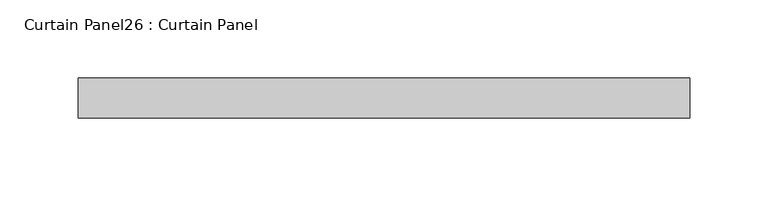
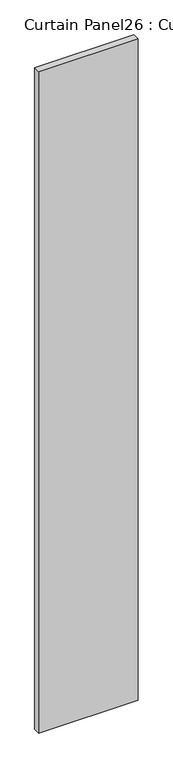
"""IFC4 building model written with IfcOpenShell, lengths in millimetres: plate geometry, Curtain Panel26 : Curtain Panel."""

import ifcopenshell
import ifcopenshell.guid

model = None  # the IFC model being written
_history = None  # IfcOwnerHistory: only IFC2X3 demands one
_inside = {}  # id of a spatial element -> (the spatial element, [elements in it])
_under = {}  # id of a project, library or spatial element -> (it, [spatial elements below it])
_declared = {}  # id of a project -> (the project, [libraries it declares])
_typed = {}  # id of a type object -> (the type object, [elements of that type])
_made_of = {}  # id of a material, layer set ... -> (it, [elements and type objects made of it])


def new_model(schema):
    """Start an empty IFC model of exactly this schema.

    Asked for "IFC4X3", IfcOpenShell would pick the latest addendum, in which some entities
    have other attributes; the version numbers below select the first issue.
    IFC2X3 requires an IfcOwnerHistory on every rooted entity: one is made here for all.
    """
    global model, _history
    if schema == "IFC4X3":
        model = ifcopenshell.file(schema_version=(4, 3, 0, 0))
    else:
        model = ifcopenshell.file(schema=schema)
    _inside.clear()
    _under.clear()
    _declared.clear()
    _typed.clear()
    _made_of.clear()
    _history = None
    if model.schema == "IFC2X3":
        org = make("IfcOrganization", Name="unknown")
        user = make(
            "IfcPersonAndOrganization",
            ThePerson=make("IfcPerson", FamilyName="unknown"),
            TheOrganization=org,
        )
        app = make(
            "IfcApplication",
            ApplicationDeveloper=org,
            Version="unknown",
            ApplicationFullName="unknown",
            ApplicationIdentifier="unknown",
        )
        _history = make(
            "IfcOwnerHistory",
            OwningUser=user,
            OwningApplication=app,
            ChangeAction="ADDED",
            CreationDate=0,
        )
    return model


def make(cls, **values):
    """One entity of the class cls with the attributes given. An attribute that is None is left unset."""
    return model.create_entity(
        cls, **{name: value for name, value in values.items() if value is not None}
    )


def rooted(cls, **values):
    """An entity with a GlobalId (a new one), such as an element, a storey or a relation."""
    return make(cls, GlobalId=ifcopenshell.guid.new(), OwnerHistory=_history, **values)


def si_unit(unit_type, name, prefix=None):
    """IfcSIUnit, for example si_unit("LENGTHUNIT", "METRE", prefix="MILLI")."""
    return make("IfcSIUnit", UnitType=unit_type, Prefix=prefix, Name=name)


def assignment(units):
    """IfcUnitAssignment: the units of a project."""
    return None if units is None else make("IfcUnitAssignment", Units=units)


def point(xyz):
    """IfcCartesianPoint."""
    return None if xyz is None else make("IfcCartesianPoint", Coordinates=xyz)


def direction(xyz):
    """IfcDirection."""
    return None if xyz is None else make("IfcDirection", DirectionRatios=xyz)


def frame(location, z_axis=None, x_axis=None):
    """IfcAxis2Placement3D, a coordinate frame: its origin and axes. An axis left out is left unset."""
    return make(
        "IfcAxis2Placement3D",
        Location=point(location),
        Axis=direction(z_axis),
        RefDirection=direction(x_axis),
    )


def origin():
    """The frame at (0, 0, 0) with its axes left unset."""
    return frame((0.0, 0.0, 0.0))


def place(relative_to, where):
    """IfcLocalPlacement: puts the frame where relative to a parent placement (None: the world)."""
    return make(
        "IfcLocalPlacement", PlacementRelTo=relative_to, RelativePlacement=where
    )


def context(
    kind, dimensions, precision=None, world=None, true_north=None, identifier=None
):
    """IfcGeometricRepresentationContext, for example the 3D "Model" context."""
    return make(
        "IfcGeometricRepresentationContext",
        ContextIdentifier=identifier,
        ContextType=kind,
        CoordinateSpaceDimension=dimensions,
        Precision=precision,
        WorldCoordinateSystem=world,
        TrueNorth=true_north,
    )


def project(units=None, contexts=None):
    """IfcProject with its units and contexts."""
    return rooted(
        "IfcProject",
        Name="project",
        RepresentationContexts=contexts,
        UnitsInContext=assignment(units),
    )


def spatial(cls, under=None, at=None, **own):
    """A site, building, storey or space (cls), placed at a placement, below another one or the project."""
    s = rooted(cls, ObjectPlacement=at, **own)
    if under is not None:
        _under.setdefault(under.id(), (under, []))[1].append(s)
    return s


def polyline(points):
    """IfcPolyline through the points."""
    return make("IfcPolyline", Points=[point(p) for p in points])


def outline(outer, holes=None, kind="AREA"):
    """IfcArbitraryClosedProfileDef: a profile drawn as a closed curve; with holes, ...WithVoids."""
    if holes is None:
        return make("IfcArbitraryClosedProfileDef", ProfileType=kind, OuterCurve=outer)
    return make(
        "IfcArbitraryProfileDefWithVoids",
        ProfileType=kind,
        OuterCurve=outer,
        InnerCurves=holes,
    )


def extrude(swept, where, along, depth):
    """IfcExtrudedAreaSolid: the profile swept, set in the frame where, extruded along a direction by depth."""
    return make(
        "IfcExtrudedAreaSolid",
        SweptArea=swept,
        Position=where,
        ExtrudedDirection=direction(along),
        Depth=depth,
    )


def shape(context_of_items, identifier, shape_type, items):
    """IfcShapeRepresentation: the items that make up one representation, for example the "Body"."""
    return make(
        "IfcShapeRepresentation",
        ContextOfItems=context_of_items,
        RepresentationIdentifier=identifier,
        RepresentationType=shape_type,
        Items=items,
    )


def source(mapping_origin, context_of_items, identifier, shape_type, items):
    """IfcRepresentationMap: a shape defined once, which mapped items show again and again."""
    return make(
        "IfcRepresentationMap",
        MappingOrigin=mapping_origin,
        MappedRepresentation=shape(context_of_items, identifier, shape_type, items),
    )


def transform(
    local_origin,
    x_axis=None,
    y_axis=None,
    z_axis=None,
    scale=None,
    scale2=None,
    scale3=None,
    uniform=True,
):
    """IfcCartesianTransformationOperator3D, or its non-uniform kind. x_axis, y_axis, z_axis: its Axis1, 2, 3."""
    if uniform:
        return make(
            "IfcCartesianTransformationOperator3D",
            Axis1=direction(x_axis),
            Axis2=direction(y_axis),
            LocalOrigin=point(local_origin),
            Scale=scale,
            Axis3=direction(z_axis),
        )
    return make(
        "IfcCartesianTransformationOperator3DnonUniform",
        Axis1=direction(x_axis),
        Axis2=direction(y_axis),
        LocalOrigin=point(local_origin),
        Scale=scale,
        Axis3=direction(z_axis),
        Scale2=scale2,
        Scale3=scale3,
    )


def mapped(mapping_source, mapping_target):
    """IfcMappedItem: shows the shape of a source again, moved by a transform."""
    return make(
        "IfcMappedItem", MappingSource=mapping_source, MappingTarget=mapping_target
    )


def made_of(thing, what):
    """Note that an element or type object is made of a material, layer set ...; save() writes the relation."""
    if what is not None:
        _made_of.setdefault(what.id(), (what, []))[1].append(thing)
    return thing


def element(
    cls,
    number,
    at=None,
    inside=None,
    cuts=None,
    type_object=None,
    material=None,
    context=None,
    identifier="Body",
    shape_type=None,
    held_by="IfcProductDefinitionShape",
    body=None,
    shapes=None,
    **own,
):
    """One element of the class cls, such as IfcWall. Its Tag is "e" and its number.

    at: its placement. inside: the storey or other place that contains it. cuts: it is an
    opening in that element (IfcRelVoidsElement). A single representation is given by context,
    identifier, shape_type and body (its items); several are given by shapes. held_by: the class
    of the entity that holds the representations. save() writes the other relations.
    """
    e = rooted(cls, Tag="e%d" % number, ObjectPlacement=at, **own)
    if body is not None:
        shapes = [shape(context, identifier, shape_type, body)]
    if shapes is not None:
        e.Representation = make(held_by, Representations=shapes)
    if inside is not None:
        _inside.setdefault(inside.id(), (inside, []))[1].append(e)
    if cuts is not None:
        rooted(
            "IfcRelVoidsElement", RelatingBuildingElement=cuts, RelatedOpeningElement=e
        )
    if type_object is not None:
        _typed.setdefault(type_object.id(), (type_object, []))[1].append(e)
    return made_of(e, material)


def aggregate(whole, parts):
    """IfcRelAggregates: a whole, such as a stair, and the parts it consists of."""
    return rooted("IfcRelAggregates", RelatingObject=whole, RelatedObjects=parts)


def save(model, path):
    """Write the relations noted so far, then the file.

    IfcRelAggregates (storeys below a building ...), IfcRelContainedInSpatialStructure (elements
    in a storey), IfcRelDefinesByType, IfcRelAssociatesMaterial and IfcRelDeclares: one each for
    every whole, place, type object, material and project.
    """
    for whole, parts in _under.values():
        aggregate(whole, parts)
    for where, things in _inside.values():
        rooted(
            "IfcRelContainedInSpatialStructure",
            RelatedElements=things,
            RelatingStructure=where,
        )
    for kind, things in _typed.values():
        rooted("IfcRelDefinesByType", RelatedObjects=things, RelatingType=kind)
    for what, things in _made_of.values():
        rooted("IfcRelAssociatesMaterial", RelatedObjects=things, RelatingMaterial=what)
    for by, libraries in _declared.values():
        rooted("IfcRelDeclares", RelatingContext=by, RelatedDefinitions=libraries)
    model.write(path)


def curtain_panel26_curtain_panel_04f28531(model_context):
    return source(origin(), model_context, "Body", "SweptSolid", [
        extrude(outline(polyline([(27491.4972184, 2834.130256), (27101.1971293, 2834.130256), (27101.1971293, 2859.530256), (27491.4972184, 2859.530256), (27491.4972184, 2834.130256)])), frame((0.0, 0.0, -633.5446495), z_axis=(0.0, 0.0, 1.0), x_axis=(1.0, 0.0, 0.0)), (0.0, 0.0, 1.0), 2743.2),
    ])


if __name__ == "__main__":
    model = new_model("IFC4")
    model_context = context("Model", 3, world=origin())
    ifc_project = project(units=[si_unit("LENGTHUNIT", "METRE", prefix="MILLI")], contexts=[model_context])
    site = spatial("IfcSite", under=ifc_project)
    building = spatial("IfcBuilding", under=site)
    placement = place(None, origin())
    curtain_panel26_curtain_panel_shape = curtain_panel26_curtain_panel_04f28531(model_context)
    element("IfcPlate", 1, ObjectType="Curtain Panel26 : Curtain Panel", at=placement, inside=building, context=model_context, shape_type="MappedRepresentation", body=[
        mapped(curtain_panel26_curtain_panel_shape, transform((0.0, 0.0, 0.0), x_axis=(1.0, 0.0, 0.0), y_axis=(0.0, 1.0, 0.0), z_axis=(0.0, 0.0, 1.0))),
    ])
    save(model, "model.ifc")
